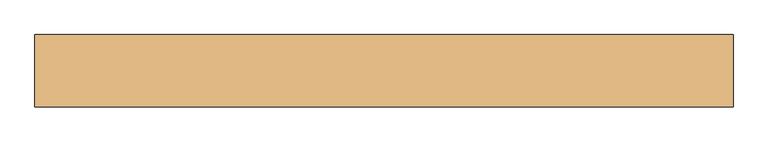
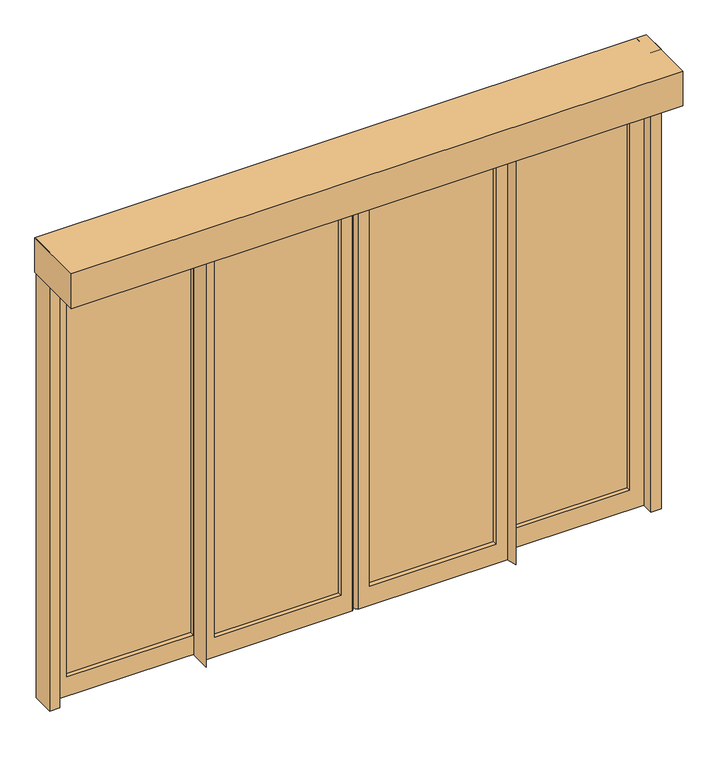
"""IFC4 building model written with IfcOpenShell, lengths in millimetres: door geometry."""

from ifc_helpers import new_model, si_unit, frame, origin, origin_with_axes, place, context, project, spatial, polyline, circle_curve, outline, extrude, faceted_brep, source, transform, mapped, element, save
from ifc_brep_helpers import plane_surface, cylinder_surface, advanced_brep


def door_bdf4f4a4(model_context):
    return source(origin(), model_context, "Body", "SolidModel", [
        faceted_brep([(-702.7, 145.0, 2200.0), (-1450.0, 145.0, 2200.0), (-1450.0, 91.025, 2200.0), (-690.0, 91.025, 2200.0), (-690.0, 125.95, 2200.0), (-702.7, 145.0, 0.0), (-690.0, 125.95, 0.0), (-690.0, 91.025, 0.0), (-1450.0, 91.025, 0.0), (-1450.0, 145.0, 0.0), (-1380.0, 145.0, 2100.0), (-1380.0, 145.0, 100.0), (-760.0, 145.0, 100.0), (-760.0, 145.0, 2100.0), (-1380.0, 91.025, 100.0), (-1380.0, 91.025, 2100.0), (-760.0, 91.025, 2100.0), (-760.0, 91.025, 100.0)], [[[0, 1, 2, 3, 4]], [[5, 6, 7, 8, 9]], [[1, 0, 5, 9], [10, 11, 12, 13]], [[2, 1, 9, 8]], [[3, 2, 8, 7], [14, 15, 16, 17]], [[4, 3, 7, 6]], [[0, 4, 6, 5]], [[14, 11, 10, 15]], [[11, 14, 17, 12]], [[12, 17, 16, 13]], [[15, 10, 13, 16]]]),
        extrude(outline(polyline([(1500.0, 155.0), (1500.0, -155.0), (-1500.0, -155.0), (-1500.0, 155.0), (1500.0, 155.0)])), frame((0.0, 0.0, 2200.0), z_axis=(0.0, 0.0, 1.0), x_axis=(1.0, 0.0, 0.0)), (0.0, 0.0, 1.0), 180.0),
        advanced_brep(
        [(12.7, 84.675, 2200.0), (12.7, 30.7, 2200.0), (747.3, 30.7, 2200.0), (760.0, -19.05, 2200.0), (760.0, 84.675, 2200.0), (12.7, 84.675, 0.0), (760.0, 84.675, 0.0), (760.0, -19.05, 0.0), (747.3, 30.7, 0.0), (12.7, 30.7, 0.0), (70.0, 30.7, 2100.0), (690.0, 30.7, 2100.0), (690.0, 30.7, 100.0), (70.0, 30.7, 100.0), (690.0, 84.675, 2100.0), (70.0, 84.675, 2100.0), (70.0, 84.675, 100.0), (690.0, 84.675, 100.0)],
        [
            (0, 1, circle_curve(frame((34.9206911, 57.6875, 2200.0), z_axis=(0.0, 0.0, 1.0), x_axis=(-1.0, 0.0, 0.0)), 34.9583219)),
            (1, 2),
            (2, 3),
            (3, 4),
            (4, 0),
            (5, 6),
            (6, 7),
            (7, 8),
            (8, 9),
            (9, 5, circle_curve(frame((34.9206911, 57.6875, 0.0), z_axis=(0.0, 0.0, -1.0), x_axis=(-1.0, 0.0, 0.0)), 34.9583219)),
            (0, 5),
            (9, 1),
            (8, 2),
            (10, 11),
            (11, 12),
            (12, 13),
            (13, 10),
            (7, 3),
            (6, 4),
            (14, 15),
            (15, 16),
            (16, 17),
            (17, 14),
            (14, 11),
            (10, 15),
            (17, 12),
            (16, 13),
        ],
        [
            plane_surface(frame((-0.0376308, 57.6875, 2200.0), z_axis=(0.0, 0.0, 1.0), x_axis=(0.0, -1.0, 0.0))),
            plane_surface(frame((-0.0376308, 57.6875, 0.0), z_axis=(0.0, 0.0, -1.0), x_axis=(0.0, 1.0, 0.0))),
            cylinder_surface(frame((34.9206911, 57.6875, 0.0), z_axis=(0.0, 0.0, 1.0), x_axis=(-1.0, 0.0, 0.0)), 34.9583219),
            plane_surface(frame((12.7, 30.7, 2200.0), z_axis=(0.0, -1.0, 0.0), x_axis=(0.0, 0.0, -1.0))),
            plane_surface(frame((747.3, 30.7, 2200.0), z_axis=(-0.9689276423206888, -0.24734434286409562, 0.0), x_axis=(0.0, 0.0, -1.0))),
            plane_surface(frame((760.0, -19.05, 2200.0), z_axis=(1.0, 0.0, 0.0), x_axis=(0.0, 0.0, -1.0))),
            plane_surface(frame((760.0, 84.675, 2200.0), z_axis=(0.0, 1.0, 0.0), x_axis=(0.0, 0.0, -1.0))),
            plane_surface(frame((70.0, 84.675, 2100.0), z_axis=(0.0, 0.0, -1.0), x_axis=(0.0, -1.0, 0.0))),
            plane_surface(frame((690.0, 84.675, 2100.0), z_axis=(-1.0, 0.0, 0.0), x_axis=(0.0, -1.0, 0.0))),
            plane_surface(frame((690.0, 84.675, 100.0), z_axis=(0.0, 0.0, 1.0), x_axis=(0.0, -1.0, 0.0))),
            plane_surface(frame((70.0, 84.675, 100.0), z_axis=(1.0, 0.0, 0.0), x_axis=(0.0, -1.0, 0.0))),
        ],
        [
            (0, [[1, 2, 3, 4, 5]]),
            (1, [[6, 7, 8, 9, 10]]),
            (2, [[-1, 11, -10, 12]]),
            (3, [[-2, -12, -9, 13], [14, 15, 16, 17]]),
            (4, [[-3, -13, -8, 18]]),
            (5, [[-4, -18, -7, 19]]),
            (6, [[-5, -19, -6, -11], [20, 21, 22, 23]]),
            (7, [[24, -14, 25, -20]]),
            (8, [[-24, -23, 26, -15]]),
            (9, [[-26, -22, 27, -16]]),
            (10, [[-25, -17, -27, -21]]),
        ],
    ),
        faceted_brep([(1450.0, 145.0, 2200.0), (702.7, 145.0, 2200.0), (690.0, 125.95, 2200.0), (690.0, 91.025, 2200.0), (1450.0, 91.025, 2200.0), (1450.0, 145.0, 0.0), (1450.0, 91.025, 0.0), (690.0, 91.025, 0.0), (690.0, 125.95, 0.0), (702.7, 145.0, 0.0), (760.0, 145.0, 2100.0), (760.0, 145.0, 100.0), (1380.0, 145.0, 100.0), (1380.0, 145.0, 2100.0), (760.0, 91.025, 100.0), (760.0, 91.025, 2100.0), (1380.0, 91.025, 2100.0), (1380.0, 91.025, 100.0)], [[[0, 1, 2, 3, 4]], [[5, 6, 7, 8, 9]], [[1, 0, 5, 9], [10, 11, 12, 13]], [[2, 1, 9, 8]], [[3, 2, 8, 7]], [[4, 3, 7, 6], [14, 15, 16, 17]], [[0, 4, 6, 5]], [[14, 11, 10, 15]], [[11, 14, 17, 12]], [[12, 17, 16, 13]], [[15, 10, 13, 16]]]),
        advanced_brep(
        [(-12.7, 84.675, 2200.0), (-760.0, 84.675, 2200.0), (-760.0, -19.05, 2200.0), (-747.3, 30.7, 2200.0), (-12.7, 30.7, 2200.0), (-12.7, 84.675, 0.0), (-12.7, 30.7, 0.0), (-747.3, 30.7, 0.0), (-760.0, -19.05, 0.0), (-760.0, 84.675, 0.0), (-70.0, 84.675, 100.0), (-70.0, 84.675, 2100.0), (-690.0, 84.675, 2100.0), (-690.0, 84.675, 100.0), (-70.0, 30.7, 2100.0), (-70.0, 30.7, 100.0), (-690.0, 30.7, 100.0), (-690.0, 30.7, 2100.0)],
        [
            (0, 1),
            (1, 2),
            (2, 3),
            (3, 4),
            (4, 0, circle_curve(frame((-34.9206911, 57.6875, 2200.0), z_axis=(0.0, 0.0, 1.0), x_axis=(1.0, 0.0, 0.0)), 34.9583219)),
            (5, 6, circle_curve(frame((-34.9206911, 57.6875, 0.0), z_axis=(0.0, 0.0, -1.0), x_axis=(1.0, 0.0, 0.0)), 34.9583219)),
            (6, 7),
            (7, 8),
            (8, 9),
            (9, 5),
            (0, 5),
            (9, 1),
            (10, 11),
            (11, 12),
            (12, 13),
            (13, 10),
            (8, 2),
            (7, 3),
            (6, 4),
            (14, 15),
            (15, 16),
            (16, 17),
            (17, 14),
            (10, 15),
            (14, 11),
            (13, 16),
            (12, 17),
        ],
        [
            plane_surface(frame((-12.7, 84.675, 2200.0), z_axis=(0.0, 0.0, 1.0), x_axis=(-1.0, 0.0, 0.0))),
            plane_surface(frame((-12.7, 84.675, 0.0), z_axis=(0.0, 0.0, -1.0), x_axis=(1.0, 0.0, 0.0))),
            plane_surface(frame((-12.7, 84.675, 2200.0), z_axis=(0.0, 1.0, 0.0), x_axis=(0.0, 0.0, -1.0))),
            plane_surface(frame((-760.0, 84.675, 2200.0), z_axis=(-1.0, 0.0, 0.0), x_axis=(0.0, 0.0, -1.0))),
            plane_surface(frame((-760.0, -19.05, 2200.0), z_axis=(0.9689276423207644, -0.24734434286379958, 0.0), x_axis=(0.0, 0.0, -1.0))),
            plane_surface(frame((-747.3, 30.7, 2200.0), z_axis=(0.0, -1.0, 0.0), x_axis=(0.0, 0.0, -1.0))),
            cylinder_surface(frame((-34.9206911, 57.6875, 0.0), z_axis=(0.0, 0.0, 1.0), x_axis=(1.0, 0.0, 0.0)), 34.9583219),
            plane_surface(frame((-70.0, 84.675, 2100.0), z_axis=(-1.0, 0.0, 0.0), x_axis=(0.0, -1.0, 0.0))),
            plane_surface(frame((-70.0, 84.675, 100.0), z_axis=(0.0, 0.0, 1.0), x_axis=(0.0, -1.0, 0.0))),
            plane_surface(frame((-690.0, 84.675, 100.0), z_axis=(1.0, 0.0, 0.0), x_axis=(0.0, -1.0, 0.0))),
            plane_surface(frame((-690.0, 84.675, 2100.0), z_axis=(0.0, 0.0, -1.0), x_axis=(0.0, -1.0, 0.0))),
        ],
        [
            (0, [[1, 2, 3, 4, 5]]),
            (1, [[6, 7, 8, 9, 10]]),
            (2, [[-1, 11, -10, 12], [13, 14, 15, 16]]),
            (3, [[-2, -12, -9, 17]]),
            (4, [[-3, -17, -8, 18]]),
            (5, [[-4, -18, -7, 19], [20, 21, 22, 23]]),
            (6, [[-5, -19, -6, -11]]),
            (7, [[24, -20, 25, -13]]),
            (8, [[-24, -16, 26, -21]]),
            (9, [[-26, -15, 27, -22]]),
            (10, [[-25, -23, -27, -14]]),
        ],
    ),
        extrude(outline(polyline([(-1450.0, 145.0), (-1450.0, 30.7), (-1500.0, 30.7), (-1500.0, 145.0), (-1450.0, 145.0)])), origin_with_axes(), (0.0, 0.0, 1.0), 2380.0),
        extrude(outline(polyline([(1500.0, 145.0), (1500.0, 30.7), (1450.0, 30.7), (1450.0, 145.0), (1500.0, 145.0)])), origin_with_axes(), (0.0, 0.0, 1.0), 2380.0),
        extrude(outline(polyline([(-1380.0, 123.0125), (-760.0, 123.0125), (-760.0, 113.0125), (-1380.0, 113.0125), (-1380.0, 123.0125)])), frame((0.0, 0.0, 100.0), z_axis=(0.0, 0.0, 1.0), x_axis=(1.0, 0.0, 0.0)), (0.0, 0.0, 1.0), 2000.0),
        extrude(outline(polyline([(760.0, 123.0125), (1380.0, 123.0125), (1380.0, 113.0125), (760.0, 113.0125), (760.0, 123.0125)])), frame((0.0, 0.0, 100.0), z_axis=(0.0, 0.0, 1.0), x_axis=(1.0, 0.0, 0.0)), (0.0, 0.0, 1.0), 2000.0),
        extrude(outline(polyline([(-690.0, 62.6875), (-70.0, 62.6875), (-70.0, 52.6875), (-690.0, 52.6875), (-690.0, 62.6875)])), frame((0.0, 0.0, 100.0), z_axis=(0.0, 0.0, 1.0), x_axis=(1.0, 0.0, 0.0)), (0.0, 0.0, 1.0), 2000.0),
        extrude(outline(polyline([(70.0, 62.6875), (690.0, 62.6875), (690.0, 52.6875), (70.0, 52.6875), (70.0, 62.6875)])), frame((0.0, 0.0, 100.0), z_axis=(0.0, 0.0, 1.0), x_axis=(1.0, 0.0, 0.0)), (0.0, 0.0, 1.0), 2000.0),
    ])


if __name__ == "__main__":
    model = new_model("IFC4")
    model_context = context("Model", 3, world=origin())
    ifc_project = project(units=[si_unit("LENGTHUNIT", "METRE", prefix="MILLI")], contexts=[model_context])
    site = spatial("IfcSite", under=ifc_project)
    building = spatial("IfcBuilding", under=site)
    placement = place(None, origin())
    door_shape = door_bdf4f4a4(model_context)
    element("IfcDoor", 1, at=placement, inside=building, context=model_context, shape_type="MappedRepresentation", body=[
        mapped(door_shape, transform((0.0, 0.0, 0.0), x_axis=(1.0, 0.0, 0.0), y_axis=(0.0, 1.0, 0.0), z_axis=(0.0, 0.0, 1.0))),
    ])
    save(model, "model.ifc")
